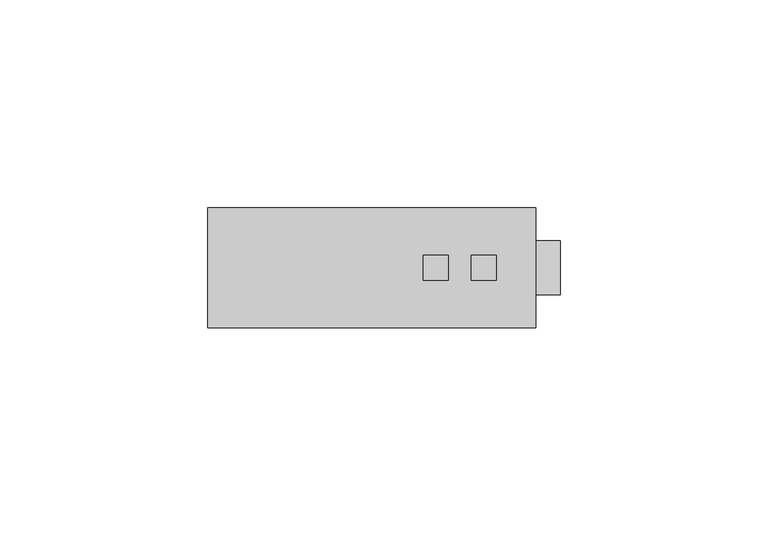
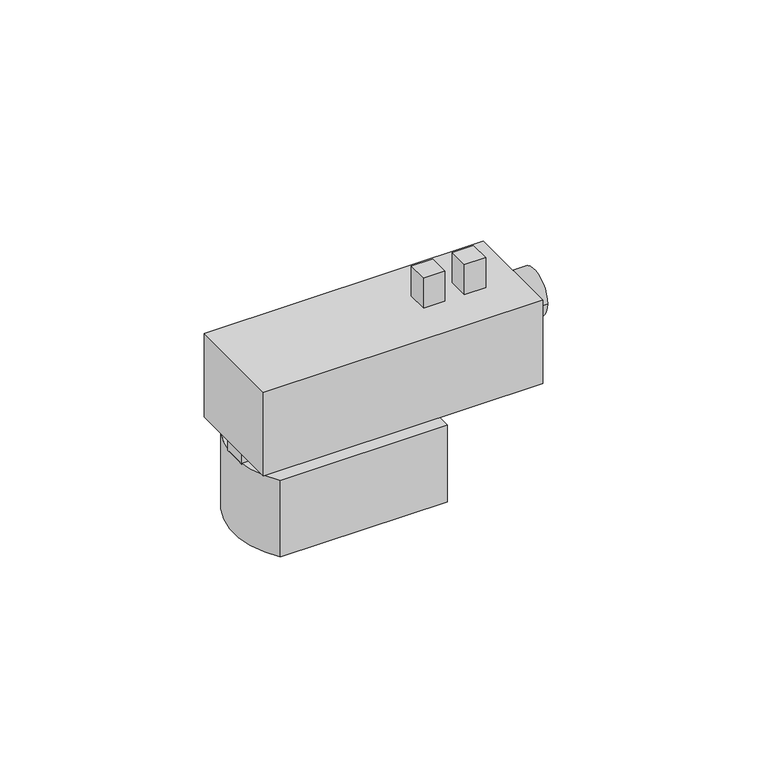
"""IFC4 building model written with IfcOpenShell, lengths in millimetres: proxy geometry."""

import ifcopenshell
import ifcopenshell.guid

model = None  # the IFC model being written
_history = None  # IfcOwnerHistory: only IFC2X3 demands one
_inside = {}  # id of a spatial element -> (the spatial element, [elements in it])
_under = {}  # id of a project, library or spatial element -> (it, [spatial elements below it])
_declared = {}  # id of a project -> (the project, [libraries it declares])
_typed = {}  # id of a type object -> (the type object, [elements of that type])
_made_of = {}  # id of a material, layer set ... -> (it, [elements and type objects made of it])


def new_model(schema):
    """Start an empty IFC model of exactly this schema.

    Asked for "IFC4X3", IfcOpenShell would pick the latest addendum, in which some entities
    have other attributes; the version numbers below select the first issue.
    IFC2X3 requires an IfcOwnerHistory on every rooted entity: one is made here for all.
    """
    global model, _history
    if schema == "IFC4X3":
        model = ifcopenshell.file(schema_version=(4, 3, 0, 0))
    else:
        model = ifcopenshell.file(schema=schema)
    _inside.clear()
    _under.clear()
    _declared.clear()
    _typed.clear()
    _made_of.clear()
    _history = None
    if model.schema == "IFC2X3":
        org = make("IfcOrganization", Name="unknown")
        user = make(
            "IfcPersonAndOrganization",
            ThePerson=make("IfcPerson", FamilyName="unknown"),
            TheOrganization=org,
        )
        app = make(
            "IfcApplication",
            ApplicationDeveloper=org,
            Version="unknown",
            ApplicationFullName="unknown",
            ApplicationIdentifier="unknown",
        )
        _history = make(
            "IfcOwnerHistory",
            OwningUser=user,
            OwningApplication=app,
            ChangeAction="ADDED",
            CreationDate=0,
        )
    return model


def make(cls, **values):
    """One entity of the class cls with the attributes given. An attribute that is None is left unset."""
    return model.create_entity(
        cls, **{name: value for name, value in values.items() if value is not None}
    )


def rooted(cls, **values):
    """An entity with a GlobalId (a new one), such as an element, a storey or a relation."""
    return make(cls, GlobalId=ifcopenshell.guid.new(), OwnerHistory=_history, **values)


def si_unit(unit_type, name, prefix=None):
    """IfcSIUnit, for example si_unit("LENGTHUNIT", "METRE", prefix="MILLI")."""
    return make("IfcSIUnit", UnitType=unit_type, Prefix=prefix, Name=name)


def assignment(units):
    """IfcUnitAssignment: the units of a project."""
    return None if units is None else make("IfcUnitAssignment", Units=units)


def point(xyz):
    """IfcCartesianPoint."""
    return None if xyz is None else make("IfcCartesianPoint", Coordinates=xyz)


def direction(xyz):
    """IfcDirection."""
    return None if xyz is None else make("IfcDirection", DirectionRatios=xyz)


def frame(location, z_axis=None, x_axis=None):
    """IfcAxis2Placement3D, a coordinate frame: its origin and axes. An axis left out is left unset."""
    return make(
        "IfcAxis2Placement3D",
        Location=point(location),
        Axis=direction(z_axis),
        RefDirection=direction(x_axis),
    )


def frame_2d(location, x_axis=None):
    """IfcAxis2Placement2D, a coordinate frame in the plane: its origin and x axis."""
    return make(
        "IfcAxis2Placement2D", Location=point(location), RefDirection=direction(x_axis)
    )


def origin():
    """The frame at (0, 0, 0) with its axes left unset."""
    return frame((0.0, 0.0, 0.0))


def place(relative_to, where):
    """IfcLocalPlacement: puts the frame where relative to a parent placement (None: the world)."""
    return make(
        "IfcLocalPlacement", PlacementRelTo=relative_to, RelativePlacement=where
    )


def context(
    kind, dimensions, precision=None, world=None, true_north=None, identifier=None
):
    """IfcGeometricRepresentationContext, for example the 3D "Model" context."""
    return make(
        "IfcGeometricRepresentationContext",
        ContextIdentifier=identifier,
        ContextType=kind,
        CoordinateSpaceDimension=dimensions,
        Precision=precision,
        WorldCoordinateSystem=world,
        TrueNorth=true_north,
    )


def project(units=None, contexts=None):
    """IfcProject with its units and contexts."""
    return rooted(
        "IfcProject",
        Name="project",
        RepresentationContexts=contexts,
        UnitsInContext=assignment(units),
    )


def spatial(cls, under=None, at=None, **own):
    """A site, building, storey or space (cls), placed at a placement, below another one or the project."""
    s = rooted(cls, ObjectPlacement=at, **own)
    if under is not None:
        _under.setdefault(under.id(), (under, []))[1].append(s)
    return s


def polyline(points):
    """IfcPolyline through the points."""
    return make("IfcPolyline", Points=[point(p) for p in points])


def circle_curve(where, radius):
    """IfcCircle in the frame where."""
    return make("IfcCircle", Position=where, Radius=radius)


def trimmed(basis, trim1, trim2, sense, master):
    """IfcTrimmedCurve: the piece of a basis curve between two trims."""
    return make(
        "IfcTrimmedCurve",
        BasisCurve=basis,
        Trim1=trim1,
        Trim2=trim2,
        SenseAgreement=sense,
        MasterRepresentation=master,
    )


def segment(curve, same_sense, transition):
    """IfcCompositeCurveSegment."""
    return make(
        "IfcCompositeCurveSegment",
        Transition=transition,
        SameSense=same_sense,
        ParentCurve=curve,
    )


def composite_curve(segments, self_intersect=None):
    """IfcCompositeCurve: segments joined end to end."""
    return make("IfcCompositeCurve", Segments=segments, SelfIntersect=self_intersect)


def outline(outer, holes=None, kind="AREA"):
    """IfcArbitraryClosedProfileDef: a profile drawn as a closed curve; with holes, ...WithVoids."""
    if holes is None:
        return make("IfcArbitraryClosedProfileDef", ProfileType=kind, OuterCurve=outer)
    return make(
        "IfcArbitraryProfileDefWithVoids",
        ProfileType=kind,
        OuterCurve=outer,
        InnerCurves=holes,
    )


def extrude(swept, where, along, depth):
    """IfcExtrudedAreaSolid: the profile swept, set in the frame where, extruded along a direction by depth."""
    return make(
        "IfcExtrudedAreaSolid",
        SweptArea=swept,
        Position=where,
        ExtrudedDirection=direction(along),
        Depth=depth,
    )


def shape(context_of_items, identifier, shape_type, items):
    """IfcShapeRepresentation: the items that make up one representation, for example the "Body"."""
    return make(
        "IfcShapeRepresentation",
        ContextOfItems=context_of_items,
        RepresentationIdentifier=identifier,
        RepresentationType=shape_type,
        Items=items,
    )


def source(mapping_origin, context_of_items, identifier, shape_type, items):
    """IfcRepresentationMap: a shape defined once, which mapped items show again and again."""
    return make(
        "IfcRepresentationMap",
        MappingOrigin=mapping_origin,
        MappedRepresentation=shape(context_of_items, identifier, shape_type, items),
    )


def transform(
    local_origin,
    x_axis=None,
    y_axis=None,
    z_axis=None,
    scale=None,
    scale2=None,
    scale3=None,
    uniform=True,
):
    """IfcCartesianTransformationOperator3D, or its non-uniform kind. x_axis, y_axis, z_axis: its Axis1, 2, 3."""
    if uniform:
        return make(
            "IfcCartesianTransformationOperator3D",
            Axis1=direction(x_axis),
            Axis2=direction(y_axis),
            LocalOrigin=point(local_origin),
            Scale=scale,
            Axis3=direction(z_axis),
        )
    return make(
        "IfcCartesianTransformationOperator3DnonUniform",
        Axis1=direction(x_axis),
        Axis2=direction(y_axis),
        LocalOrigin=point(local_origin),
        Scale=scale,
        Axis3=direction(z_axis),
        Scale2=scale2,
        Scale3=scale3,
    )


def mapped(mapping_source, mapping_target):
    """IfcMappedItem: shows the shape of a source again, moved by a transform."""
    return make(
        "IfcMappedItem", MappingSource=mapping_source, MappingTarget=mapping_target
    )


def made_of(thing, what):
    """Note that an element or type object is made of a material, layer set ...; save() writes the relation."""
    if what is not None:
        _made_of.setdefault(what.id(), (what, []))[1].append(thing)
    return thing


def element(
    cls,
    number,
    at=None,
    inside=None,
    cuts=None,
    type_object=None,
    material=None,
    context=None,
    identifier="Body",
    shape_type=None,
    held_by="IfcProductDefinitionShape",
    body=None,
    shapes=None,
    **own,
):
    """One element of the class cls, such as IfcWall. Its Tag is "e" and its number.

    at: its placement. inside: the storey or other place that contains it. cuts: it is an
    opening in that element (IfcRelVoidsElement). A single representation is given by context,
    identifier, shape_type and body (its items); several are given by shapes. held_by: the class
    of the entity that holds the representations. save() writes the other relations.
    """
    e = rooted(cls, Tag="e%d" % number, ObjectPlacement=at, **own)
    if body is not None:
        shapes = [shape(context, identifier, shape_type, body)]
    if shapes is not None:
        e.Representation = make(held_by, Representations=shapes)
    if inside is not None:
        _inside.setdefault(inside.id(), (inside, []))[1].append(e)
    if cuts is not None:
        rooted(
            "IfcRelVoidsElement", RelatingBuildingElement=cuts, RelatedOpeningElement=e
        )
    if type_object is not None:
        _typed.setdefault(type_object.id(), (type_object, []))[1].append(e)
    return made_of(e, material)


def aggregate(whole, parts):
    """IfcRelAggregates: a whole, such as a stair, and the parts it consists of."""
    return rooted("IfcRelAggregates", RelatingObject=whole, RelatedObjects=parts)


def save(model, path):
    """Write the relations noted so far, then the file.

    IfcRelAggregates (storeys below a building ...), IfcRelContainedInSpatialStructure (elements
    in a storey), IfcRelDefinesByType, IfcRelAssociatesMaterial and IfcRelDeclares: one each for
    every whole, place, type object, material and project.
    """
    for whole, parts in _under.values():
        aggregate(whole, parts)
    for where, things in _inside.values():
        rooted(
            "IfcRelContainedInSpatialStructure",
            RelatedElements=things,
            RelatingStructure=where,
        )
    for kind, things in _typed.values():
        rooted("IfcRelDefinesByType", RelatedObjects=things, RelatingType=kind)
    for what, things in _made_of.values():
        rooted("IfcRelAssociatesMaterial", RelatedObjects=things, RelatingMaterial=what)
    for by, libraries in _declared.values():
        rooted("IfcRelDeclares", RelatingContext=by, RelatedDefinitions=libraries)
    model.write(path)


def specialty_equipment_fbad5723(model_context):
    return source(origin(), model_context, "Body", "SweptSolid", [
        extrude(outline(composite_curve([segment(polyline([(-16.428719, 25.0), (30.75, 25.0), (30.75, -4.0), (-16.428719, -4.0)]), True, "CONTINUOUS"), segment(trimmed(circle_curve(frame_2d((2.9650114, 10.5)), 24.2150114), [point((-16.428719, -4.0))], [point((-16.428719, 25.0))], False, "CARTESIAN"), True, "CONTINUOUS")], self_intersect=False)), frame((0.0, 0.0, 5.5), z_axis=(0.0, 0.0, 1.0), x_axis=(1.0, 0.0, 0.0)), (0.0, 0.0, 1.0), 23.0),
        extrude(outline(composite_curve([segment(trimmed(circle_curve(frame_2d((10.5, 48.3)), 6.5), [point((4.0, 48.3))], [point((17.0, 48.3))], False, "CARTESIAN"), True, "CONTINUOUS"), segment(trimmed(circle_curve(frame_2d((10.5, 48.3)), 6.5), [point((17.0, 48.3))], [point((4.0, 48.3))], False, "CARTESIAN"), True, "CONTINUOUS")], self_intersect=False)), frame((57.75, 0.0, 0.0), z_axis=(1.0, 0.0, 0.0), x_axis=(0.0, 1.0, 0.0)), (0.0, 0.0, 1.0), 6.0),
        extrude(outline(polyline([(36.75, 7.5), (30.75, 7.5), (30.75, 13.5), (36.75, 13.5), (36.75, 7.5)])), frame((0.0, 0.0, 56.5), z_axis=(0.0, 0.0, 1.0), x_axis=(1.0, 0.0, 0.0)), (0.0, 0.0, 1.0), 9.0),
        extrude(outline(polyline([(48.2621283, 7.5), (42.2621283, 7.5), (42.2621283, 13.5), (48.2621283, 13.5), (48.2621283, 7.5)])), frame((0.0, 0.0, 56.5), z_axis=(0.0, 0.0, 1.0), x_axis=(1.0, 0.0, 0.0)), (0.0, 0.0, 1.0), 9.0),
        extrude(outline(polyline([(57.75, -4.0), (-21.25, -4.0), (-21.25, 25.0), (57.75, 25.0), (57.75, -4.0)])), frame((0.0, 0.0, 31.5), z_axis=(0.0, 0.0, 1.0), x_axis=(1.0, 0.0, 0.0)), (0.0, 0.0, 1.0), 25.0),
        extrude(outline(polyline([(10.0, 6.6044985), (0.0, 6.6044985), (0.0, 13.5), (10.0, 13.5), (10.0, 6.6044985)])), frame((0.0, 0.0, 28.5), z_axis=(0.0, 0.0, 1.0), x_axis=(1.0, 0.0, 0.0)), (0.0, 0.0, 1.0), 3.0),
        extrude(outline(polyline([(30.75, 6.6044985), (22.75, 6.6044985), (22.75, 13.5), (30.75, 13.5), (30.75, 6.6044985)])), frame((0.0, 0.0, 28.5), z_axis=(0.0, 0.0, 1.0), x_axis=(1.0, 0.0, 0.0)), (0.0, 0.0, 1.0), 3.0),
        extrude(outline(polyline([(-13.2677734, 6.6044985), (-21.2677734, 6.6044985), (-21.2677734, 13.5), (-13.2677734, 13.5), (-13.2677734, 6.6044985)])), frame((0.0, 0.0, 28.5), z_axis=(0.0, 0.0, 1.0), x_axis=(1.0, 0.0, 0.0)), (0.0, 0.0, 1.0), 3.0),
    ])


if __name__ == "__main__":
    model = new_model("IFC4")
    model_context = context("Model", 3, world=origin())
    ifc_project = project(units=[si_unit("LENGTHUNIT", "METRE", prefix="MILLI")], contexts=[model_context])
    site = spatial("IfcSite", under=ifc_project)
    building = spatial("IfcBuilding", under=site)
    placement = place(None, origin())
    specialty_equipment_shape = specialty_equipment_fbad5723(model_context)
    element("IfcBuildingElementProxy", 1, Name="Specialty Equipment", at=placement, inside=building, context=model_context, shape_type="MappedRepresentation", body=[
        mapped(specialty_equipment_shape, transform((0.0, 0.0, 0.0), x_axis=(1.0, 0.0, 0.0), y_axis=(0.0, 1.0, 0.0), z_axis=(0.0, 0.0, 1.0))),
    ])
    save(model, "model.ifc")
